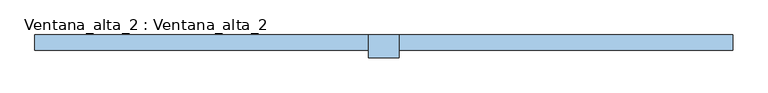
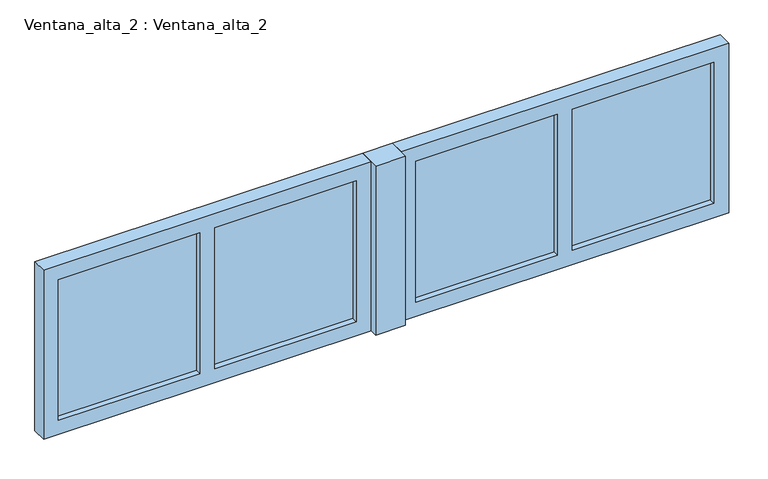
"""IFC4 building model written with IfcOpenShell, lengths in millimetres: window geometry, Ventana_alta_2 : Ventana_alta_2."""

from ifc_helpers import new_model, si_unit, frame, origin, place, context, project, spatial, polyline, outline, extrude, source, transform, mapped, element, save


def ventana_alta_2_ventana_alta_2_55b42ca0(model_context):
    return source(origin(), model_context, "Body", "SweptSolid", [
        extrude(outline(polyline([(650.0, 125.0), (650.0, 50.0), (550.0, 50.0), (550.0, 125.0), (650.0, 125.0)])), frame((0.0, 0.0, 800.0), z_axis=(0.0, 0.0, 1.0), x_axis=(1.0, 0.0, 0.0)), (0.0, 0.0, 1.0), 600.0),
        extrude(outline(polyline([(1175.0, 105.0), (1175.0, 95.0), (700.0, 95.0), (700.0, 105.0), (1175.0, 105.0)])), frame((0.0, 0.0, 850.0), z_axis=(0.0, 0.0, 1.0), x_axis=(1.0, 0.0, 0.0)), (0.0, 0.0, 1.0), 500.0),
        extrude(outline(polyline([(1700.0, 105.0), (1700.0, 95.0), (1225.0, 95.0), (1225.0, 105.0), (1700.0, 105.0)])), frame((0.0, 0.0, 850.0), z_axis=(0.0, 0.0, 1.0), x_axis=(1.0, 0.0, 0.0)), (0.0, 0.0, 1.0), 500.0),
        extrude(outline(polyline([(1400.0, 1750.0), (1400.0, 650.0), (800.0, 650.0), (800.0, 1750.0), (1400.0, 1750.0)]), holes=[polyline([(850.0, 1175.0), (850.0, 700.0), (1350.0, 700.0), (1350.0, 1175.0), (850.0, 1175.0)]), polyline([(1350.0, 1700.0), (850.0, 1700.0), (850.0, 1225.0), (1350.0, 1225.0), (1350.0, 1700.0)])]), frame((0.0, 75.0, 0.0), z_axis=(0.0, 1.0, 0.0), x_axis=(0.0, 0.0, 1.0)), (0.0, 0.0, 1.0), 50.0),
        extrude(outline(polyline([(-25.0, 105.0), (-25.0, 95.0), (-500.0, 95.0), (-500.0, 105.0), (-25.0, 105.0)])), frame((0.0, 0.0, 850.0), z_axis=(0.0, 0.0, 1.0), x_axis=(1.0, 0.0, 0.0)), (0.0, 0.0, 1.0), 500.0),
        extrude(outline(polyline([(500.0, 105.0), (500.0, 95.0), (25.0, 95.0), (25.0, 105.0), (500.0, 105.0)])), frame((0.0, 0.0, 850.0), z_axis=(0.0, 0.0, 1.0), x_axis=(1.0, 0.0, 0.0)), (0.0, 0.0, 1.0), 500.0),
        extrude(outline(polyline([(1400.0, 550.0), (1400.0, -550.0), (800.0, -550.0), (800.0, 550.0), (1400.0, 550.0)]), holes=[polyline([(850.0, -25.0), (850.0, -500.0), (1350.0, -500.0), (1350.0, -25.0), (850.0, -25.0)]), polyline([(1350.0, 500.0), (850.0, 500.0), (850.0, 25.0), (1350.0, 25.0), (1350.0, 500.0)])]), frame((0.0, 75.0, 0.0), z_axis=(0.0, 1.0, 0.0), x_axis=(0.0, 0.0, 1.0)), (0.0, 0.0, 1.0), 50.0),
    ])


if __name__ == "__main__":
    model = new_model("IFC4")
    model_context = context("Model", 3, world=origin())
    ifc_project = project(units=[si_unit("LENGTHUNIT", "METRE", prefix="MILLI")], contexts=[model_context])
    site = spatial("IfcSite", under=ifc_project)
    building = spatial("IfcBuilding", under=site)
    placement = place(None, origin())
    ventana_alta_2_ventana_alta_2_shape = ventana_alta_2_ventana_alta_2_55b42ca0(model_context)
    element("IfcWindow", 1, ObjectType="Ventana_alta_2 : Ventana_alta_2", at=placement, inside=building, context=model_context, shape_type="MappedRepresentation", body=[
        mapped(ventana_alta_2_ventana_alta_2_shape, transform((0.0, 0.0, 0.0), x_axis=(1.0, 0.0, 0.0), y_axis=(0.0, 1.0, 0.0), z_axis=(0.0, 0.0, 1.0))),
    ])
    save(model, "model.ifc")
